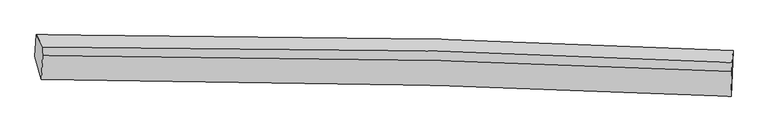
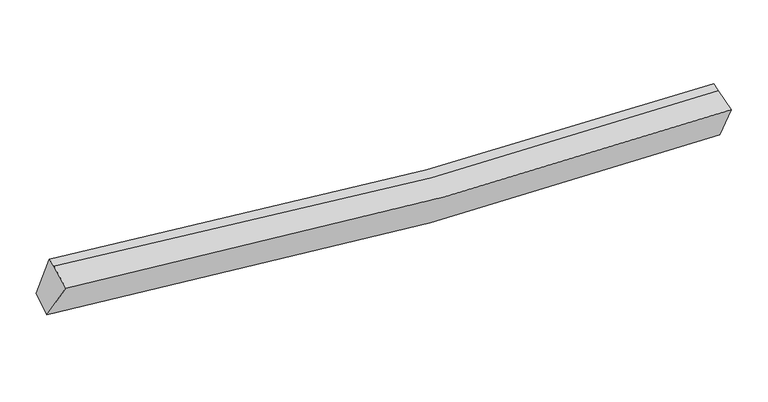
"""IFC4 building model written with IfcOpenShell, lengths in millimetres: proxy geometry."""

import ifcopenshell
import ifcopenshell.guid

model = None  # the IFC model being written
_history = None  # IfcOwnerHistory: only IFC2X3 demands one
_inside = {}  # id of a spatial element -> (the spatial element, [elements in it])
_under = {}  # id of a project, library or spatial element -> (it, [spatial elements below it])
_declared = {}  # id of a project -> (the project, [libraries it declares])
_typed = {}  # id of a type object -> (the type object, [elements of that type])
_made_of = {}  # id of a material, layer set ... -> (it, [elements and type objects made of it])


def new_model(schema):
    """Start an empty IFC model of exactly this schema.

    Asked for "IFC4X3", IfcOpenShell would pick the latest addendum, in which some entities
    have other attributes; the version numbers below select the first issue.
    IFC2X3 requires an IfcOwnerHistory on every rooted entity: one is made here for all.
    """
    global model, _history
    if schema == "IFC4X3":
        model = ifcopenshell.file(schema_version=(4, 3, 0, 0))
    else:
        model = ifcopenshell.file(schema=schema)
    _inside.clear()
    _under.clear()
    _declared.clear()
    _typed.clear()
    _made_of.clear()
    _history = None
    if model.schema == "IFC2X3":
        org = make("IfcOrganization", Name="unknown")
        user = make(
            "IfcPersonAndOrganization",
            ThePerson=make("IfcPerson", FamilyName="unknown"),
            TheOrganization=org,
        )
        app = make(
            "IfcApplication",
            ApplicationDeveloper=org,
            Version="unknown",
            ApplicationFullName="unknown",
            ApplicationIdentifier="unknown",
        )
        _history = make(
            "IfcOwnerHistory",
            OwningUser=user,
            OwningApplication=app,
            ChangeAction="ADDED",
            CreationDate=0,
        )
    return model


def make(cls, **values):
    """One entity of the class cls with the attributes given. An attribute that is None is left unset."""
    return model.create_entity(
        cls, **{name: value for name, value in values.items() if value is not None}
    )


def rooted(cls, **values):
    """An entity with a GlobalId (a new one), such as an element, a storey or a relation."""
    return make(cls, GlobalId=ifcopenshell.guid.new(), OwnerHistory=_history, **values)


def si_unit(unit_type, name, prefix=None):
    """IfcSIUnit, for example si_unit("LENGTHUNIT", "METRE", prefix="MILLI")."""
    return make("IfcSIUnit", UnitType=unit_type, Prefix=prefix, Name=name)


def assignment(units):
    """IfcUnitAssignment: the units of a project."""
    return None if units is None else make("IfcUnitAssignment", Units=units)


def point(xyz):
    """IfcCartesianPoint."""
    return None if xyz is None else make("IfcCartesianPoint", Coordinates=xyz)


def direction(xyz):
    """IfcDirection."""
    return None if xyz is None else make("IfcDirection", DirectionRatios=xyz)


def frame(location, z_axis=None, x_axis=None):
    """IfcAxis2Placement3D, a coordinate frame: its origin and axes. An axis left out is left unset."""
    return make(
        "IfcAxis2Placement3D",
        Location=point(location),
        Axis=direction(z_axis),
        RefDirection=direction(x_axis),
    )


def origin():
    """The frame at (0, 0, 0) with its axes left unset."""
    return frame((0.0, 0.0, 0.0))


def place(relative_to, where):
    """IfcLocalPlacement: puts the frame where relative to a parent placement (None: the world)."""
    return make(
        "IfcLocalPlacement", PlacementRelTo=relative_to, RelativePlacement=where
    )


def context(
    kind, dimensions, precision=None, world=None, true_north=None, identifier=None
):
    """IfcGeometricRepresentationContext, for example the 3D "Model" context."""
    return make(
        "IfcGeometricRepresentationContext",
        ContextIdentifier=identifier,
        ContextType=kind,
        CoordinateSpaceDimension=dimensions,
        Precision=precision,
        WorldCoordinateSystem=world,
        TrueNorth=true_north,
    )


def project(units=None, contexts=None):
    """IfcProject with its units and contexts."""
    return rooted(
        "IfcProject",
        Name="project",
        RepresentationContexts=contexts,
        UnitsInContext=assignment(units),
    )


def spatial(cls, under=None, at=None, **own):
    """A site, building, storey or space (cls), placed at a placement, below another one or the project."""
    s = rooted(cls, ObjectPlacement=at, **own)
    if under is not None:
        _under.setdefault(under.id(), (under, []))[1].append(s)
    return s


def shape(context_of_items, identifier, shape_type, items):
    """IfcShapeRepresentation: the items that make up one representation, for example the "Body"."""
    return make(
        "IfcShapeRepresentation",
        ContextOfItems=context_of_items,
        RepresentationIdentifier=identifier,
        RepresentationType=shape_type,
        Items=items,
    )


def source(mapping_origin, context_of_items, identifier, shape_type, items):
    """IfcRepresentationMap: a shape defined once, which mapped items show again and again."""
    return make(
        "IfcRepresentationMap",
        MappingOrigin=mapping_origin,
        MappedRepresentation=shape(context_of_items, identifier, shape_type, items),
    )


def transform(
    local_origin,
    x_axis=None,
    y_axis=None,
    z_axis=None,
    scale=None,
    scale2=None,
    scale3=None,
    uniform=True,
):
    """IfcCartesianTransformationOperator3D, or its non-uniform kind. x_axis, y_axis, z_axis: its Axis1, 2, 3."""
    if uniform:
        return make(
            "IfcCartesianTransformationOperator3D",
            Axis1=direction(x_axis),
            Axis2=direction(y_axis),
            LocalOrigin=point(local_origin),
            Scale=scale,
            Axis3=direction(z_axis),
        )
    return make(
        "IfcCartesianTransformationOperator3DnonUniform",
        Axis1=direction(x_axis),
        Axis2=direction(y_axis),
        LocalOrigin=point(local_origin),
        Scale=scale,
        Axis3=direction(z_axis),
        Scale2=scale2,
        Scale3=scale3,
    )


def mapped(mapping_source, mapping_target):
    """IfcMappedItem: shows the shape of a source again, moved by a transform."""
    return make(
        "IfcMappedItem", MappingSource=mapping_source, MappingTarget=mapping_target
    )


def made_of(thing, what):
    """Note that an element or type object is made of a material, layer set ...; save() writes the relation."""
    if what is not None:
        _made_of.setdefault(what.id(), (what, []))[1].append(thing)
    return thing


def element(
    cls,
    number,
    at=None,
    inside=None,
    cuts=None,
    type_object=None,
    material=None,
    context=None,
    identifier="Body",
    shape_type=None,
    held_by="IfcProductDefinitionShape",
    body=None,
    shapes=None,
    **own,
):
    """One element of the class cls, such as IfcWall. Its Tag is "e" and its number.

    at: its placement. inside: the storey or other place that contains it. cuts: it is an
    opening in that element (IfcRelVoidsElement). A single representation is given by context,
    identifier, shape_type and body (its items); several are given by shapes. held_by: the class
    of the entity that holds the representations. save() writes the other relations.
    """
    e = rooted(cls, Tag="e%d" % number, ObjectPlacement=at, **own)
    if body is not None:
        shapes = [shape(context, identifier, shape_type, body)]
    if shapes is not None:
        e.Representation = make(held_by, Representations=shapes)
    if inside is not None:
        _inside.setdefault(inside.id(), (inside, []))[1].append(e)
    if cuts is not None:
        rooted(
            "IfcRelVoidsElement", RelatingBuildingElement=cuts, RelatedOpeningElement=e
        )
    if type_object is not None:
        _typed.setdefault(type_object.id(), (type_object, []))[1].append(e)
    return made_of(e, material)


def aggregate(whole, parts):
    """IfcRelAggregates: a whole, such as a stair, and the parts it consists of."""
    return rooted("IfcRelAggregates", RelatingObject=whole, RelatedObjects=parts)


def save(model, path):
    """Write the relations noted so far, then the file.

    IfcRelAggregates (storeys below a building ...), IfcRelContainedInSpatialStructure (elements
    in a storey), IfcRelDefinesByType, IfcRelAssociatesMaterial and IfcRelDeclares: one each for
    every whole, place, type object, material and project.
    """
    for whole, parts in _under.values():
        aggregate(whole, parts)
    for where, things in _inside.values():
        rooted(
            "IfcRelContainedInSpatialStructure",
            RelatedElements=things,
            RelatingStructure=where,
        )
    for kind, things in _typed.values():
        rooted("IfcRelDefinesByType", RelatedObjects=things, RelatingType=kind)
    for what, things in _made_of.values():
        rooted("IfcRelAssociatesMaterial", RelatedObjects=things, RelatingMaterial=what)
    for by, libraries in _declared.values():
        rooted("IfcRelDeclares", RelatingContext=by, RelatedDefinitions=libraries)
    model.write(path)


def plane_surface(at):
    """IfcPlane: the flat surface through the origin of the frame at, square to its z axis."""
    return make("IfcPlane", Position=at)


def spline_curve(degree, points, multiplicities, knots, weights=None):
    """IfcBSplineCurveWithKnots; with weights, IfcRationalBSplineCurveWithKnots."""
    own = dict(
        Degree=degree,
        ControlPointsList=[point(p) for p in points],
        CurveForm="UNSPECIFIED",
        ClosedCurve=False,
        SelfIntersect=False,
        KnotMultiplicities=multiplicities,
        Knots=knots,
        KnotSpec="UNSPECIFIED",
    )
    if weights is None:
        return make("IfcBSplineCurveWithKnots", **own)
    return make("IfcRationalBSplineCurveWithKnots", WeightsData=weights, **own)


def spline_surface(u_degree, v_degree, points, u_multiplicities, v_multiplicities, u_knots, v_knots, weights=None):
    """IfcBSplineSurfaceWithKnots; with weights, IfcRationalBSplineSurfaceWithKnots. points: one row for each step in u."""
    own = dict(
        UDegree=u_degree,
        VDegree=v_degree,
        ControlPointsList=[[point(p) for p in row] for row in points],
        SurfaceForm="UNSPECIFIED",
        UClosed=False,
        VClosed=False,
        SelfIntersect=False,
        UMultiplicities=u_multiplicities,
        VMultiplicities=v_multiplicities,
        UKnots=u_knots,
        VKnots=v_knots,
        KnotSpec="UNSPECIFIED",
    )
    if weights is None:
        return make("IfcBSplineSurfaceWithKnots", **own)
    return make("IfcRationalBSplineSurfaceWithKnots", WeightsData=weights, **own)


def advanced_brep(points, edges, surfaces, faces):
    """IfcAdvancedBrep: a solid bounded by faces that lie on surfaces and meet in shared edges.

    An edge is (start, end): straight between two places in points (the first is 0);
    or (start, end, curve); or (start, end, curve, False) where it runs against its curve.
    A face is (place in surfaces, loops), or (place, loops, False) where it looks against
    its surface's normal. A loop lists edges by number (the first is 1), with a minus sign
    where the edge is run from its end to its start. The first loop is the outer one.
    """
    corners = [point(p) for p in points]
    vertices = [make("IfcVertexPoint", VertexGeometry=c) for c in corners]
    made = []
    for start, end, *more in edges:
        made.append(
            make(
                "IfcEdgeCurve",
                EdgeStart=vertices[start],
                EdgeEnd=vertices[end],
                EdgeGeometry=more[0] if more else make("IfcPolyline", Points=[corners[start], corners[end]]),
                SameSense=more[1] if len(more) > 1 else True,
            )
        )
    hull = []
    for where, loops, *sense in faces:
        bounds = []
        for j, loop in enumerate(loops):
            ring = [make("IfcOrientedEdge", EdgeElement=made[abs(k) - 1], Orientation=k > 0) for k in loop]
            bounds.append(
                make(
                    "IfcFaceOuterBound" if j == 0 else "IfcFaceBound",
                    Bound=make("IfcEdgeLoop", EdgeList=ring),
                    Orientation=True,
                )
            )
        hull.append(make("IfcAdvancedFace", Bounds=bounds, FaceSurface=surfaces[where], SameSense=sense[0] if sense else True))
    return make("IfcAdvancedBrep", Outer=make("IfcClosedShell", CfsFaces=hull))


def generic_models_7ef84e65(model_context):
    return source(origin(), model_context, "Body", "AdvancedBrep", [
        advanced_brep(
        [(-5235.6269439, -1972.1269386, 2992.6988338), (-5214.0916577, -1633.9424152, 3149.7969506), (5525.3194919, -1880.6227708, 2585.7548157), (5513.0757832, -2231.0088533, 2471.2868012), (-5135.6337963, -2327.2232993, 3634.1876842), (5493.5353658, -2584.2338648, 3121.2485411), (-5116.2791174, -1957.8765367, 3778.366272), (5507.3739669, -2198.7259518, 3208.0998361), (-5111.5080453, -1823.0876687, 3815.905557), (5512.145039, -2063.9370837, 3245.6391211)],
        [
            (0, 1),
            (1, 2, spline_curve(3, [(-5214.0916577, -1633.9424152, 3149.7969506), (-3167.369022444, -1619.97621932, 2844.652148466), (-1117.439414443, -1641.043012703, 2652.652117671), (2463.794789622, -1738.896443849, 2515.106881749), (3993.668897379, -1800.056435588, 2519.092868301), (5525.3194919, -1880.6227708, 2585.7548157)], [4, 2, 4], [0.0, 20.26643552791228, 35.35023082618259])),
            (2, 3),
            (3, 0, spline_curve(3, [(5513.0757832, -2231.0088533, 2471.2868012), (3981.995831281, -2159.664558969, 2415.981250711), (2451.884971187, -2103.051092236, 2415.918723227), (-1131.796283085, -2004.895358877, 2545.23917884), (-3184.586332433, -1975.214854316, 2719.105716975), (-5235.6269439, -1972.1269386, 2992.6988338)], [4, 2, 4], [0.0, 15.08379529827031, 35.35023082618259])),
            (4, 0),
            (3, 5),
            (5, 4, spline_curve(3, [(5493.5353658, -2584.2338648, 3121.2485411), (3976.573763625, -2513.479536497, 3066.266949774), (2461.811477434, -2457.317871717, 3065.875932123), (-1083.015873777, -2359.897175856, 3192.897465465), (-3111.309975366, -2330.388652822, 3364.268197837), (-5135.6337963, -2327.2232993, 3634.1876842)], [4, 2, 4], [0.0, 15.002159076727445, 35.158908999132294])),
            (6, 4),
            (5, 7),
            (7, 6, spline_curve(3, [(5507.3739669, -2198.7259518, 3208.0998361), (3989.224262359, -2127.022653265, 3149.861866796), (2474.11560184, -2071.297756354, 3151.08313396), (-1069.550843909, -1978.148267122, 3293.293352179), (-3095.659878159, -1953.590026205, 3482.160896666), (-5116.2791174, -1957.8765367, 3778.366272)], [4, 2, 4], [0.0, 14.918598660306841, 34.963077648335656])),
            (8, 6),
            (7, 9),
            (9, 8, spline_curve(3, [(5512.145039, -2063.9370837, 3245.6391211), (3994.193478945, -1986.635956494, 3188.960171172), (2479.198415392, -1927.701800277, 3191.075230976), (-1064.399950597, -1832.628954152, 3333.821112962), (-3090.62258165, -1811.279971677, 3521.794864667), (-5111.5080453, -1823.0876687, 3815.905557)], [4, 2, 4], [0.0, 14.91826045446036, 34.96228503251825])),
            (1, 8),
            (9, 2),
        ],
        [
            spline_surface(3, 3, [[(-5235.6269439, -1972.1269386, 2992.6988338), (-3184.586332503, -1975.21485444, 2719.10571669), (-1131.796283367, -2004.895359003, 2545.239178593), (2451.884971397, -2103.051092142, 2415.918723411), (3981.99583131, -2159.664559127, 2415.981250658), (5513.0757832, -2231.0088533, 2471.2868012)], [(-5228.44851518, -1859.398764137, 3045.064872703), (-3178.847229267, -1856.80197617, 2760.954527257), (-1127.010660313, -1883.611243633, 2581.043491496), (2455.854910759, -1981.66620934, 2448.981442913), (3985.886853355, -2039.795184636, 2450.351789802), (5517.157019424, -2114.213492468, 2509.44280604)], [(-5221.27008642, -1746.670589663, 3097.430911697), (-3173.10812599, -1738.389097888, 2802.803337913), (-1122.22503728, -1762.327128246, 2616.847804461), (2459.824850099, -1860.281326522, 2482.044162476), (3989.777875428, -1919.925810139, 2484.722328927), (5521.238255676, -1997.418131632, 2547.59881086)], [(-5214.0916577, -1633.9424152, 3149.7969506), (-3167.369022754, -1619.976219617, 2844.65214848), (-1117.439414227, -1641.043012876, 2652.652117364), (2463.794789461, -1738.89644372, 2515.106881978), (3993.668897473, -1800.056435647, 2519.092868072), (5525.3194919, -1880.6227708, 2585.7548157)]], [4, 4], [4, 2, 4], [0.0, 1.2424322619086101], [0.0, 20.26643552791228, 35.35023082618259]),
            spline_surface(3, 3, [[(-5135.6337963, -2327.2232993, 3634.1876842), (-3111.30997504, -2330.388652773, 3364.268197571), (-1083.015873785, -2359.897176061, 3192.897465466), (2461.81147744, -2457.317871564, 3065.875932122), (3976.573763561, -2513.479536724, 3066.266949816), (5493.5353658, -2584.2338648, 3121.2485411)], [(-5168.964845508, -2208.857845746, 3420.358067431), (-3135.735427535, -2211.997386675, 3149.214037308), (-1099.276010294, -2241.56323705, 2977.011369868), (2458.502642111, -2339.228945098, 2849.223529245), (3978.381119467, -2395.541210854, 2849.505050097), (5500.048838256, -2466.492194296, 2904.594627801)], [(-5202.295894692, -2090.492392154, 3206.528450569), (-3160.160880007, -2093.606120539, 2934.159876953), (-1115.536146859, -2123.229298014, 2761.125274191), (2455.193806726, -2221.140018607, 2632.571126288), (3980.188475404, -2277.602884997, 2632.743150377), (5506.562310744, -2348.750523804, 2687.940714499)], [(-5235.6269439, -1972.1269386, 2992.6988338), (-3184.586332503, -1975.21485444, 2719.10571669), (-1131.796283367, -2004.895359003, 2545.239178593), (2451.884971397, -2103.051092142, 2415.918723411), (3981.99583131, -2159.664559127, 2415.981250658), (5513.0757832, -2231.0088533, 2471.2868012)]], [4, 4], [4, 2, 4], [0.0, 2.4276191718369464], [0.0, 20.15674992240485, 35.158908999132294]),
            spline_surface(3, 3, [[(-5116.2791174, -1957.8765367, 3778.366272), (-3095.659878465, -1953.590026362, 3482.160896885), (-1069.550844223, -1978.148267438, 3293.293352204), (2474.115602074, -2071.297756119, 3151.083133941), (3989.224262589, -2127.022653449, 3149.861866635), (5507.3739669, -2198.7259518, 3208.0998361)], [(-5122.730677027, -2080.99212421, 3730.306742717), (-3100.876577317, -2079.189568476, 3442.863330431), (-1074.039187411, -2105.39790365, 3259.82805662), (2470.014227195, -2199.971127937, 3122.68073333), (3985.007429577, -2255.841614563, 3121.996894357), (5502.761099863, -2327.228589489, 3179.149404428)], [(-5129.182236673, -2204.10771179, 3682.247213483), (-3106.093276187, -2204.78911066, 3403.565764025), (-1078.527530597, -2232.64753985, 3226.36276105), (2465.912852319, -2328.644499745, 3094.278332733), (3980.790596574, -2384.66057561, 3094.131922094), (5498.148232837, -2455.731227111, 3150.198972772)], [(-5135.6337963, -2327.2232993, 3634.1876842), (-3111.30997504, -2330.388652773, 3364.268197571), (-1083.015873785, -2359.897176061, 3192.897465466), (2461.81147744, -2457.317871564, 3065.875932122), (3976.573763561, -2513.479536724, 3066.266949816), (5493.5353658, -2584.2338648, 3121.2485411)]], [4, 4], [4, 2, 4], [0.0, 1.2961509449628241], [0.0, 20.044478988028814, 34.963077648335656]),
            spline_surface(3, 3, [[(-5111.5080453, -1823.0876687, 3815.905557), (-3090.622581688, -1811.279971829, 3521.794864991), (-1064.399950553, -1832.628954032, 3333.82111281), (2479.198415359, -1927.701800367, 3191.075231089), (3994.193478982, -1986.63595647, 3188.960171282), (5512.145039, -2063.9370837, 3245.6391211)], [(-5113.098402649, -1868.017291388, 3803.392462005), (-3092.301680596, -1858.716656695, 3508.583542294), (-1066.116915113, -1881.135391819, 3320.31185928), (2477.504144261, -1975.567118936, 3177.744532045), (3992.537073535, -2033.431522118, 3175.927403072), (5510.554681651, -2108.866706388, 3233.126026105)], [(-5114.688760051, -1912.946914012, 3790.879366995), (-3093.980779556, -1906.153341496, 3495.372219582), (-1067.833879663, -1929.641829651, 3306.802605734), (2475.809873172, -2023.432437549, 3164.413832985), (3990.880668036, -2080.227087801, 3162.894634845), (5508.964324249, -2153.796329112, 3220.612931095)], [(-5116.2791174, -1957.8765367, 3778.366272), (-3095.659878465, -1953.590026362, 3482.160896885), (-1069.550844223, -1978.148267438, 3293.293352204), (2474.115602074, -2071.297756119, 3151.083133941), (3989.224262589, -2127.022653449, 3149.861866635), (5507.3739669, -2198.7259518, 3208.0998361)]], [4, 4], [4, 2, 4], [0.0, 0.492846658773325], [0.0, 20.044024578057893, 34.96228503251825]),
            spline_surface(3, 3, [[(-5214.0916577, -1633.9424152, 3149.7969506), (-3167.369022754, -1619.976219617, 2844.65214848), (-1117.439414227, -1641.043012876, 2652.652117364), (2463.794789461, -1738.89644372, 2515.106881978), (3993.668897473, -1800.056435647, 2519.092868072), (5525.3194919, -1880.6227708, 2585.7548157)], [(-5179.897120235, -1696.990833019, 3371.833152744), (-3141.786875734, -1683.744137006, 3070.366387327), (-1099.759593024, -1704.904993258, 2879.708449172), (2468.929331405, -1801.831562599, 2740.429665008), (3993.843757982, -1862.249609247, 2742.381969135), (5520.928007606, -1941.727541758, 2805.716250827)], [(-5145.702582765, -1760.039250881, 3593.869354856), (-3116.204728708, -1747.512054439, 3296.080626143), (-1082.079771755, -1768.76697365, 3106.764781001), (2474.063873415, -1864.766681488, 2965.752448059), (3994.018618473, -1924.442782871, 2965.671070219), (5516.536523294, -2002.832312742, 3025.677685973)], [(-5111.5080453, -1823.0876687, 3815.905557), (-3090.622581688, -1811.279971829, 3521.794864991), (-1064.399950553, -1832.628954032, 3333.82111281), (2479.198415359, -1927.701800367, 3191.075231089), (3994.193478982, -1986.63595647, 3188.960171282), (5512.145039, -2063.9370837, 3245.6391211)]], [4, 4], [4, 2, 4], [0.0, 2.3173647482719097], [0.0, 20.153143705855307, 35.15261876682874]),
            plane_surface(frame((5510.2899294, -2191.7057049, 2926.4058231), z_axis=(0.9992340647448399, -0.03798660172806191, 0.009396911336127857), x_axis=(-0.03499788922072948, -0.974951378937894, -0.2196473456638911))),
            plane_surface(frame((-5162.6279121, -1942.8513717, 3474.1910595), z_axis=(-0.9886163534960014, -0.006865952114214993, 0.15030157784213288), x_axis=(-0.05765597309525236, -0.9054143807354862, -0.42059551581515425))),
        ],
        [
            (0, [[1, 2, 3, 4]]),
            (1, [[5, -4, 6, 7]]),
            (2, [[8, -7, 9, 10]]),
            (3, [[11, -10, 12, 13]]),
            (4, [[14, -13, 15, -2]]),
            (5, [[-9, -6, -3, -15, -12]]),
            (6, [[-1, -5, -8, -11, -14]]),
        ],
    ),
    ])


if __name__ == "__main__":
    model = new_model("IFC4")
    model_context = context("Model", 3, world=origin())
    ifc_project = project(units=[si_unit("LENGTHUNIT", "METRE", prefix="MILLI")], contexts=[model_context])
    site = spatial("IfcSite", under=ifc_project)
    building = spatial("IfcBuilding", under=site)
    placement = place(None, origin())
    generic_models_shape = generic_models_7ef84e65(model_context)
    element("IfcBuildingElementProxy", 1, Name="Generic Models", at=placement, inside=building, context=model_context, shape_type="MappedRepresentation", body=[
        mapped(generic_models_shape, transform((0.0, 0.0, 0.0), x_axis=(1.0, 0.0, 0.0), y_axis=(0.0, 1.0, 0.0), z_axis=(0.0, 0.0, 1.0))),
    ])
    save(model, "model.ifc")
